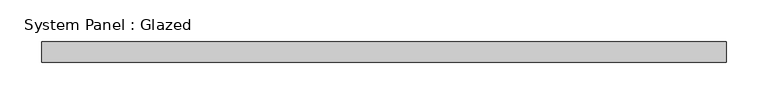
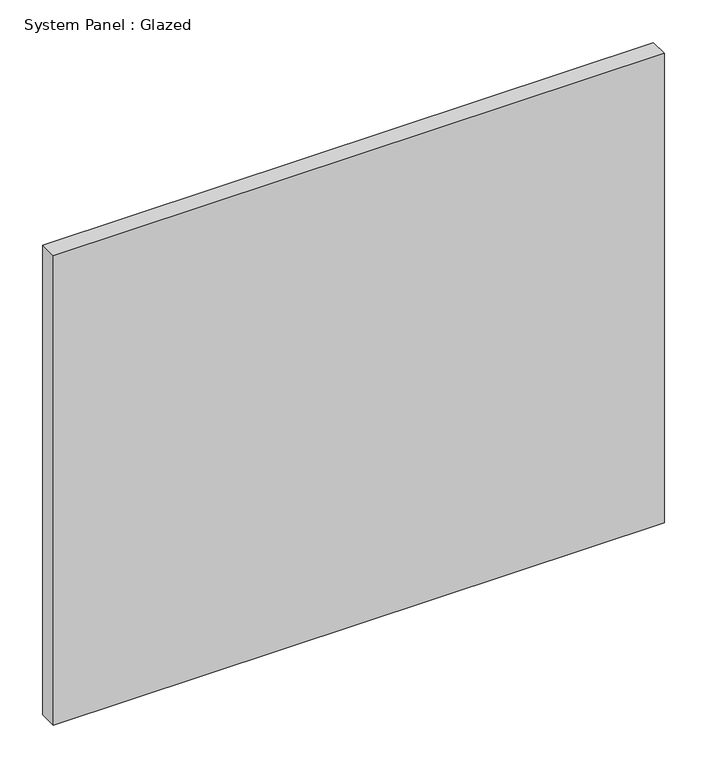
"""IFC4 building model written with IfcOpenShell, lengths in millimetres: plate geometry, System Panel : Glazed."""

from ifc_helpers import new_model, si_unit, origin, origin_with_axes, place, context, project, spatial, polyline, outline, extrude, source, transform, mapped, element, save


def system_panel_glazed_27687baf(model_context):
    return source(origin(), model_context, "Body", "SweptSolid", [
        extrude(outline(polyline([(412.5, -49.5), (-412.5, -49.5), (-412.5, -24.5), (412.5, -24.5), (412.5, -49.5)])), origin_with_axes(), (0.0, 0.0, 1.0), 670.0),
    ])


if __name__ == "__main__":
    model = new_model("IFC4")
    model_context = context("Model", 3, world=origin())
    ifc_project = project(units=[si_unit("LENGTHUNIT", "METRE", prefix="MILLI")], contexts=[model_context])
    site = spatial("IfcSite", under=ifc_project)
    building = spatial("IfcBuilding", under=site)
    placement = place(None, origin())
    system_panel_glazed_shape = system_panel_glazed_27687baf(model_context)
    element("IfcPlate", 1, ObjectType="System Panel : Glazed", at=placement, inside=building, context=model_context, shape_type="MappedRepresentation", body=[
        mapped(system_panel_glazed_shape, transform((0.0, 0.0, 0.0), x_axis=(1.0, 0.0, 0.0), y_axis=(0.0, 1.0, 0.0), z_axis=(0.0, 0.0, 1.0))),
    ])
    save(model, "model.ifc")
